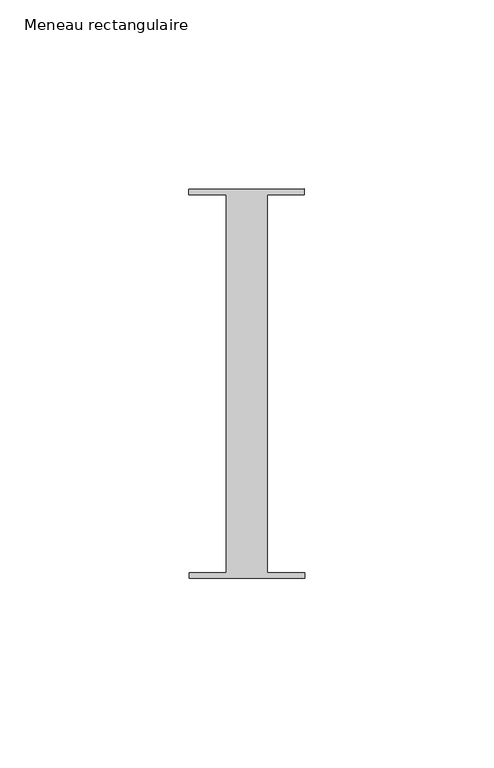
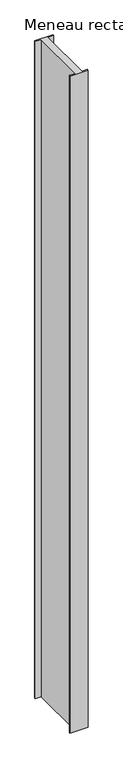
"""IFC4 building model written with IfcOpenShell, lengths in millimetres: member geometry, Meneau rectangulaire."""

import ifcopenshell
import ifcopenshell.guid

model = None  # the IFC model being written
_history = None  # IfcOwnerHistory: only IFC2X3 demands one
_inside = {}  # id of a spatial element -> (the spatial element, [elements in it])
_under = {}  # id of a project, library or spatial element -> (it, [spatial elements below it])
_declared = {}  # id of a project -> (the project, [libraries it declares])
_typed = {}  # id of a type object -> (the type object, [elements of that type])
_made_of = {}  # id of a material, layer set ... -> (it, [elements and type objects made of it])


def new_model(schema):
    """Start an empty IFC model of exactly this schema.

    Asked for "IFC4X3", IfcOpenShell would pick the latest addendum, in which some entities
    have other attributes; the version numbers below select the first issue.
    IFC2X3 requires an IfcOwnerHistory on every rooted entity: one is made here for all.
    """
    global model, _history
    if schema == "IFC4X3":
        model = ifcopenshell.file(schema_version=(4, 3, 0, 0))
    else:
        model = ifcopenshell.file(schema=schema)
    _inside.clear()
    _under.clear()
    _declared.clear()
    _typed.clear()
    _made_of.clear()
    _history = None
    if model.schema == "IFC2X3":
        org = make("IfcOrganization", Name="unknown")
        user = make(
            "IfcPersonAndOrganization",
            ThePerson=make("IfcPerson", FamilyName="unknown"),
            TheOrganization=org,
        )
        app = make(
            "IfcApplication",
            ApplicationDeveloper=org,
            Version="unknown",
            ApplicationFullName="unknown",
            ApplicationIdentifier="unknown",
        )
        _history = make(
            "IfcOwnerHistory",
            OwningUser=user,
            OwningApplication=app,
            ChangeAction="ADDED",
            CreationDate=0,
        )
    return model


def make(cls, **values):
    """One entity of the class cls with the attributes given. An attribute that is None is left unset."""
    return model.create_entity(
        cls, **{name: value for name, value in values.items() if value is not None}
    )


def rooted(cls, **values):
    """An entity with a GlobalId (a new one), such as an element, a storey or a relation."""
    return make(cls, GlobalId=ifcopenshell.guid.new(), OwnerHistory=_history, **values)


def si_unit(unit_type, name, prefix=None):
    """IfcSIUnit, for example si_unit("LENGTHUNIT", "METRE", prefix="MILLI")."""
    return make("IfcSIUnit", UnitType=unit_type, Prefix=prefix, Name=name)


def assignment(units):
    """IfcUnitAssignment: the units of a project."""
    return None if units is None else make("IfcUnitAssignment", Units=units)


def point(xyz):
    """IfcCartesianPoint."""
    return None if xyz is None else make("IfcCartesianPoint", Coordinates=xyz)


def direction(xyz):
    """IfcDirection."""
    return None if xyz is None else make("IfcDirection", DirectionRatios=xyz)


def frame(location, z_axis=None, x_axis=None):
    """IfcAxis2Placement3D, a coordinate frame: its origin and axes. An axis left out is left unset."""
    return make(
        "IfcAxis2Placement3D",
        Location=point(location),
        Axis=direction(z_axis),
        RefDirection=direction(x_axis),
    )


def origin():
    """The frame at (0, 0, 0) with its axes left unset."""
    return frame((0.0, 0.0, 0.0))


def place(relative_to, where):
    """IfcLocalPlacement: puts the frame where relative to a parent placement (None: the world)."""
    return make(
        "IfcLocalPlacement", PlacementRelTo=relative_to, RelativePlacement=where
    )


def context(
    kind, dimensions, precision=None, world=None, true_north=None, identifier=None
):
    """IfcGeometricRepresentationContext, for example the 3D "Model" context."""
    return make(
        "IfcGeometricRepresentationContext",
        ContextIdentifier=identifier,
        ContextType=kind,
        CoordinateSpaceDimension=dimensions,
        Precision=precision,
        WorldCoordinateSystem=world,
        TrueNorth=true_north,
    )


def project(units=None, contexts=None):
    """IfcProject with its units and contexts."""
    return rooted(
        "IfcProject",
        Name="project",
        RepresentationContexts=contexts,
        UnitsInContext=assignment(units),
    )


def spatial(cls, under=None, at=None, **own):
    """A site, building, storey or space (cls), placed at a placement, below another one or the project."""
    s = rooted(cls, ObjectPlacement=at, **own)
    if under is not None:
        _under.setdefault(under.id(), (under, []))[1].append(s)
    return s


def polyline(points):
    """IfcPolyline through the points."""
    return make("IfcPolyline", Points=[point(p) for p in points])


def outline(outer, holes=None, kind="AREA"):
    """IfcArbitraryClosedProfileDef: a profile drawn as a closed curve; with holes, ...WithVoids."""
    if holes is None:
        return make("IfcArbitraryClosedProfileDef", ProfileType=kind, OuterCurve=outer)
    return make(
        "IfcArbitraryProfileDefWithVoids",
        ProfileType=kind,
        OuterCurve=outer,
        InnerCurves=holes,
    )


def extrude(swept, where, along, depth):
    """IfcExtrudedAreaSolid: the profile swept, set in the frame where, extruded along a direction by depth."""
    return make(
        "IfcExtrudedAreaSolid",
        SweptArea=swept,
        Position=where,
        ExtrudedDirection=direction(along),
        Depth=depth,
    )


def shape(context_of_items, identifier, shape_type, items):
    """IfcShapeRepresentation: the items that make up one representation, for example the "Body"."""
    return make(
        "IfcShapeRepresentation",
        ContextOfItems=context_of_items,
        RepresentationIdentifier=identifier,
        RepresentationType=shape_type,
        Items=items,
    )


def source(mapping_origin, context_of_items, identifier, shape_type, items):
    """IfcRepresentationMap: a shape defined once, which mapped items show again and again."""
    return make(
        "IfcRepresentationMap",
        MappingOrigin=mapping_origin,
        MappedRepresentation=shape(context_of_items, identifier, shape_type, items),
    )


def transform(
    local_origin,
    x_axis=None,
    y_axis=None,
    z_axis=None,
    scale=None,
    scale2=None,
    scale3=None,
    uniform=True,
):
    """IfcCartesianTransformationOperator3D, or its non-uniform kind. x_axis, y_axis, z_axis: its Axis1, 2, 3."""
    if uniform:
        return make(
            "IfcCartesianTransformationOperator3D",
            Axis1=direction(x_axis),
            Axis2=direction(y_axis),
            LocalOrigin=point(local_origin),
            Scale=scale,
            Axis3=direction(z_axis),
        )
    return make(
        "IfcCartesianTransformationOperator3DnonUniform",
        Axis1=direction(x_axis),
        Axis2=direction(y_axis),
        LocalOrigin=point(local_origin),
        Scale=scale,
        Axis3=direction(z_axis),
        Scale2=scale2,
        Scale3=scale3,
    )


def mapped(mapping_source, mapping_target):
    """IfcMappedItem: shows the shape of a source again, moved by a transform."""
    return make(
        "IfcMappedItem", MappingSource=mapping_source, MappingTarget=mapping_target
    )


def made_of(thing, what):
    """Note that an element or type object is made of a material, layer set ...; save() writes the relation."""
    if what is not None:
        _made_of.setdefault(what.id(), (what, []))[1].append(thing)
    return thing


def element(
    cls,
    number,
    at=None,
    inside=None,
    cuts=None,
    type_object=None,
    material=None,
    context=None,
    identifier="Body",
    shape_type=None,
    held_by="IfcProductDefinitionShape",
    body=None,
    shapes=None,
    **own,
):
    """One element of the class cls, such as IfcWall. Its Tag is "e" and its number.

    at: its placement. inside: the storey or other place that contains it. cuts: it is an
    opening in that element (IfcRelVoidsElement). A single representation is given by context,
    identifier, shape_type and body (its items); several are given by shapes. held_by: the class
    of the entity that holds the representations. save() writes the other relations.
    """
    e = rooted(cls, Tag="e%d" % number, ObjectPlacement=at, **own)
    if body is not None:
        shapes = [shape(context, identifier, shape_type, body)]
    if shapes is not None:
        e.Representation = make(held_by, Representations=shapes)
    if inside is not None:
        _inside.setdefault(inside.id(), (inside, []))[1].append(e)
    if cuts is not None:
        rooted(
            "IfcRelVoidsElement", RelatingBuildingElement=cuts, RelatedOpeningElement=e
        )
    if type_object is not None:
        _typed.setdefault(type_object.id(), (type_object, []))[1].append(e)
    return made_of(e, material)


def aggregate(whole, parts):
    """IfcRelAggregates: a whole, such as a stair, and the parts it consists of."""
    return rooted("IfcRelAggregates", RelatingObject=whole, RelatedObjects=parts)


def save(model, path):
    """Write the relations noted so far, then the file.

    IfcRelAggregates (storeys below a building ...), IfcRelContainedInSpatialStructure (elements
    in a storey), IfcRelDefinesByType, IfcRelAssociatesMaterial and IfcRelDeclares: one each for
    every whole, place, type object, material and project.
    """
    for whole, parts in _under.values():
        aggregate(whole, parts)
    for where, things in _inside.values():
        rooted(
            "IfcRelContainedInSpatialStructure",
            RelatedElements=things,
            RelatingStructure=where,
        )
    for kind, things in _typed.values():
        rooted("IfcRelDefinesByType", RelatedObjects=things, RelatingType=kind)
    for what, things in _made_of.values():
        rooted("IfcRelAssociatesMaterial", RelatedObjects=things, RelatingMaterial=what)
    for by, libraries in _declared.values():
        rooted("IfcRelDeclares", RelatingContext=by, RelatedDefinitions=libraries)
    model.write(path)


def meneau_rectangulaire_6754b219(model_context):
    return source(origin(), model_context, "Body", "SweptSolid", [
        extrude(outline(polyline([(15.1919193, 51.5152664), (15.1934333, 50.0054494), (5.4028486, 50.0054494), (5.4028486, -49.9846825), (15.2937013, -49.9846825), (15.2952055, -51.4846817), (-15.2047792, -51.5152664), (-15.2062834, -50.0152672), (-5.4194144, -50.0152672), (-5.4194144, 49.9942223), (-15.3065707, 49.9942223), (-15.3080653, 51.4846817), (15.1919193, 51.5152664)])), frame((0.0, 0.0, -1169.5), z_axis=(0.0, 0.0, 1.0), x_axis=(1.0, 0.0, 0.0)), (0.0, 0.0, 1.0), 1169.5),
    ])


if __name__ == "__main__":
    model = new_model("IFC4")
    model_context = context("Model", 3, world=origin())
    ifc_project = project(units=[si_unit("LENGTHUNIT", "METRE", prefix="MILLI")], contexts=[model_context])
    site = spatial("IfcSite", under=ifc_project)
    building = spatial("IfcBuilding", under=site)
    placement = place(None, origin())
    meneau_rectangulaire_shape = meneau_rectangulaire_6754b219(model_context)
    element("IfcMember", 1, ObjectType="Meneau rectangulaire", at=placement, inside=building, context=model_context, shape_type="MappedRepresentation", body=[
        mapped(meneau_rectangulaire_shape, transform((0.0, 0.0, 0.0), x_axis=(1.0, 0.0, 0.0), y_axis=(0.0, 1.0, 0.0), z_axis=(0.0, 0.0, 1.0))),
    ])
    save(model, "model.ifc")
